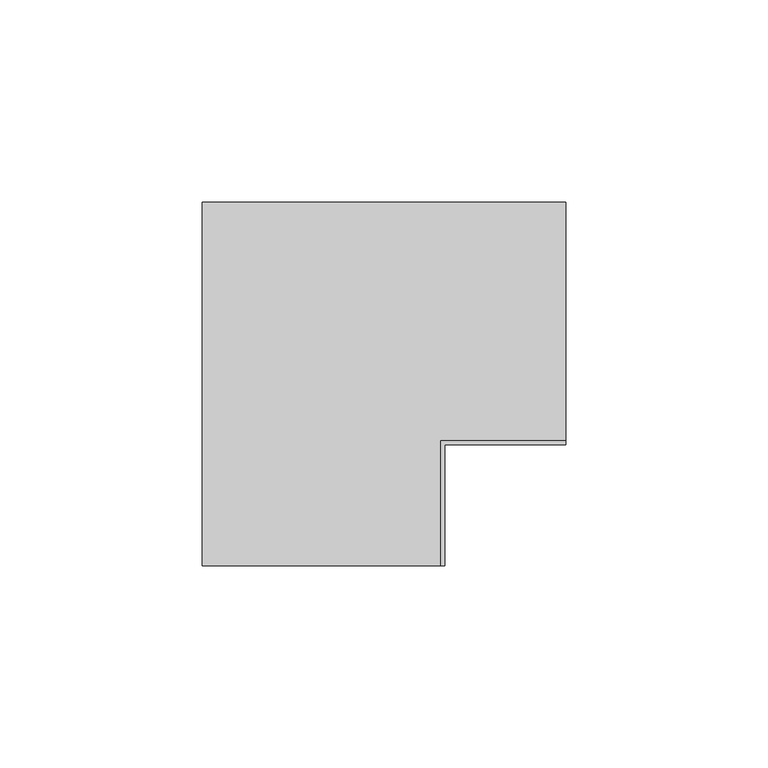
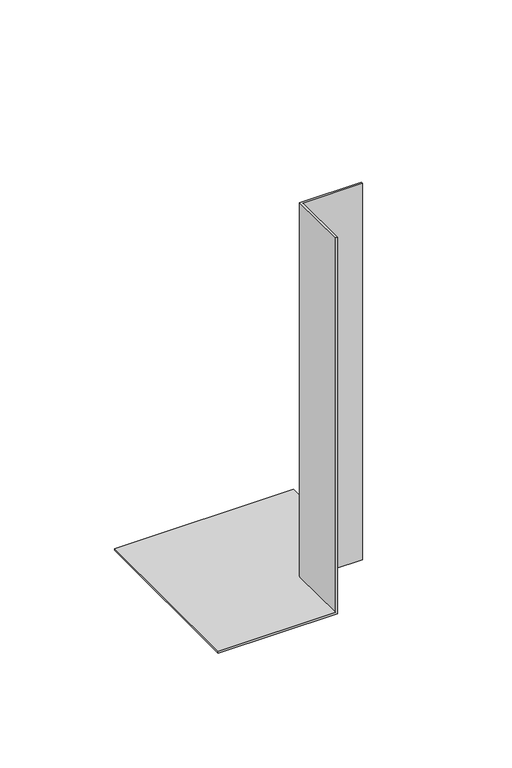
"""IFC4 building model written with IfcOpenShell, lengths in millimetres: proxy geometry."""

from ifc_helpers import new_model, si_unit, origin, place, context, project, spatial, faceted_brep, source, transform, mapped, element, save


def generic_models_8a9929fb(model_context):
    return source(origin(), model_context, "Body", "Brep", [
        faceted_brep([(90.0, 0.0, 0.0), (90.0, 60.0, 0.0), (90.0, 60.0, 0.9987295), (90.0, 1.0, 0.9987295), (90.0, 1.0, 200.0), (90.0, 0.0, 200.0), (60.0, 0.0, 0.0), (60.0, -30.0, 0.0), (0.0, -30.0, 0.0), (0.0, 60.0, 0.0), (0.0, 60.0, 0.9987295), (0.0, -30.0, 0.9987295), (59.0, -30.0, 0.9987295), (59.0, 1.0, 0.9987295), (60.0, -30.0, 200.0), (59.0, -30.0, 200.0), (60.0, 0.0, 200.0), (59.0, 1.0, 200.0)], [[[0, 1, 2, 3, 4, 5]], [[0, 6, 7, 8, 9, 1]], [[2, 10, 11, 12, 13, 3]], [[7, 14, 15, 12, 11, 8]], [[5, 16, 6, 0]], [[4, 17, 15, 14, 16, 5]], [[3, 13, 17, 4]], [[1, 9, 10, 2]], [[16, 14, 7, 6]], [[13, 12, 15, 17]], [[9, 8, 11, 10]]]),
    ])


if __name__ == "__main__":
    model = new_model("IFC4")
    model_context = context("Model", 3, world=origin())
    ifc_project = project(units=[si_unit("LENGTHUNIT", "METRE", prefix="MILLI")], contexts=[model_context])
    site = spatial("IfcSite", under=ifc_project)
    building = spatial("IfcBuilding", under=site)
    placement = place(None, origin())
    generic_models_shape = generic_models_8a9929fb(model_context)
    element("IfcBuildingElementProxy", 1, Name="Generic Models", at=placement, inside=building, context=model_context, shape_type="MappedRepresentation", body=[
        mapped(generic_models_shape, transform((0.0, 0.0, 0.0), x_axis=(1.0, 0.0, 0.0), y_axis=(0.0, 1.0, 0.0), z_axis=(0.0, 0.0, 1.0))),
    ])
    save(model, "model.ifc")
